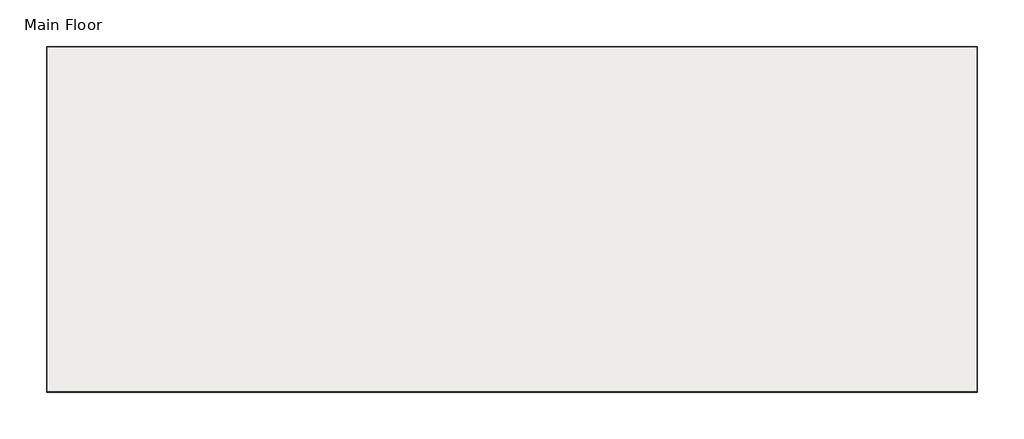
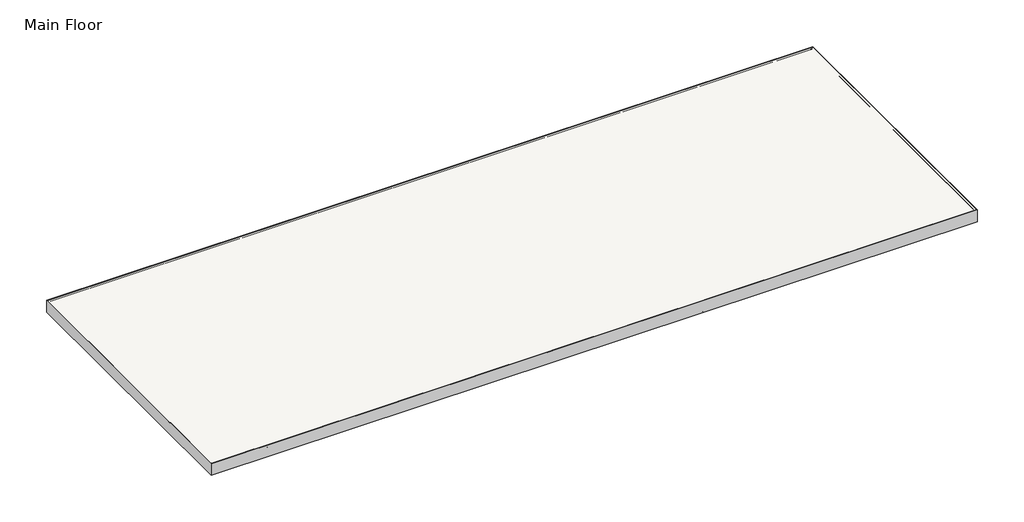
# One storey: 17 beams, 1 slab.
"""IFC4 building model written with IfcOpenShell, lengths in millimetres."""

import ifcopenshell
import ifcopenshell.guid

model = None  # the IFC model being written
_history = None  # IfcOwnerHistory: only IFC2X3 demands one
_inside = {}  # id of a spatial element -> (the spatial element, [elements in it])
_under = {}  # id of a project, library or spatial element -> (it, [spatial elements below it])
_declared = {}  # id of a project -> (the project, [libraries it declares])
_typed = {}  # id of a type object -> (the type object, [elements of that type])
_made_of = {}  # id of a material, layer set ... -> (it, [elements and type objects made of it])


def new_model(schema):
    """Start an empty IFC model of exactly this schema.

    Asked for "IFC4X3", IfcOpenShell would pick the latest addendum, in which some entities
    have other attributes; the version numbers below select the first issue.
    IFC2X3 requires an IfcOwnerHistory on every rooted entity: one is made here for all.
    """
    global model, _history
    if schema == "IFC4X3":
        model = ifcopenshell.file(schema_version=(4, 3, 0, 0))
    else:
        model = ifcopenshell.file(schema=schema)
    _inside.clear()
    _under.clear()
    _declared.clear()
    _typed.clear()
    _made_of.clear()
    _history = None
    if model.schema == "IFC2X3":
        org = make("IfcOrganization", Name="unknown")
        user = make(
            "IfcPersonAndOrganization",
            ThePerson=make("IfcPerson", FamilyName="unknown"),
            TheOrganization=org,
        )
        app = make(
            "IfcApplication",
            ApplicationDeveloper=org,
            Version="unknown",
            ApplicationFullName="unknown",
            ApplicationIdentifier="unknown",
        )
        _history = make(
            "IfcOwnerHistory",
            OwningUser=user,
            OwningApplication=app,
            ChangeAction="ADDED",
            CreationDate=0,
        )
    return model


def make(cls, **values):
    """One entity of the class cls with the attributes given. An attribute that is None is left unset."""
    return model.create_entity(
        cls, **{name: value for name, value in values.items() if value is not None}
    )


def rooted(cls, **values):
    """An entity with a GlobalId (a new one), such as an element, a storey or a relation."""
    return make(cls, GlobalId=ifcopenshell.guid.new(), OwnerHistory=_history, **values)


def si_unit(unit_type, name, prefix=None):
    """IfcSIUnit, for example si_unit("LENGTHUNIT", "METRE", prefix="MILLI")."""
    return make("IfcSIUnit", UnitType=unit_type, Prefix=prefix, Name=name)


def assignment(units):
    """IfcUnitAssignment: the units of a project."""
    return None if units is None else make("IfcUnitAssignment", Units=units)


def point(xyz):
    """IfcCartesianPoint."""
    return None if xyz is None else make("IfcCartesianPoint", Coordinates=xyz)


def direction(xyz):
    """IfcDirection."""
    return None if xyz is None else make("IfcDirection", DirectionRatios=xyz)


def frame(location, z_axis=None, x_axis=None):
    """IfcAxis2Placement3D, a coordinate frame: its origin and axes. An axis left out is left unset."""
    return make(
        "IfcAxis2Placement3D",
        Location=point(location),
        Axis=direction(z_axis),
        RefDirection=direction(x_axis),
    )


def frame_2d(location, x_axis=None):
    """IfcAxis2Placement2D, a coordinate frame in the plane: its origin and x axis."""
    return make(
        "IfcAxis2Placement2D", Location=point(location), RefDirection=direction(x_axis)
    )


def origin():
    """The frame at (0, 0, 0) with its axes left unset."""
    return frame((0.0, 0.0, 0.0))


def place(relative_to, where):
    """IfcLocalPlacement: puts the frame where relative to a parent placement (None: the world)."""
    return make(
        "IfcLocalPlacement", PlacementRelTo=relative_to, RelativePlacement=where
    )


def context(
    kind, dimensions, precision=None, world=None, true_north=None, identifier=None
):
    """IfcGeometricRepresentationContext, for example the 3D "Model" context."""
    return make(
        "IfcGeometricRepresentationContext",
        ContextIdentifier=identifier,
        ContextType=kind,
        CoordinateSpaceDimension=dimensions,
        Precision=precision,
        WorldCoordinateSystem=world,
        TrueNorth=true_north,
    )


def project(units=None, contexts=None):
    """IfcProject with its units and contexts."""
    return rooted(
        "IfcProject",
        Name="project",
        RepresentationContexts=contexts,
        UnitsInContext=assignment(units),
    )


def spatial(cls, under=None, at=None, **own):
    """A site, building, storey or space (cls), placed at a placement, below another one or the project."""
    s = rooted(cls, ObjectPlacement=at, **own)
    if under is not None:
        _under.setdefault(under.id(), (under, []))[1].append(s)
    return s


def polyline(points):
    """IfcPolyline through the points."""
    return make("IfcPolyline", Points=[point(p) for p in points])


def circle_curve(where, radius):
    """IfcCircle in the frame where."""
    return make("IfcCircle", Position=where, Radius=radius)


def ellipse_curve(where, semi_axis1, semi_axis2):
    """IfcEllipse in the frame where."""
    return make(
        "IfcEllipse", Position=where, SemiAxis1=semi_axis1, SemiAxis2=semi_axis2
    )


def trimmed(basis, trim1, trim2, sense, master):
    """IfcTrimmedCurve: the piece of a basis curve between two trims."""
    return make(
        "IfcTrimmedCurve",
        BasisCurve=basis,
        Trim1=trim1,
        Trim2=trim2,
        SenseAgreement=sense,
        MasterRepresentation=master,
    )


def segment(curve, same_sense, transition):
    """IfcCompositeCurveSegment."""
    return make(
        "IfcCompositeCurveSegment",
        Transition=transition,
        SameSense=same_sense,
        ParentCurve=curve,
    )


def composite_curve(segments, self_intersect=None):
    """IfcCompositeCurve: segments joined end to end."""
    return make("IfcCompositeCurve", Segments=segments, SelfIntersect=self_intersect)


def outline(outer, holes=None, kind="AREA"):
    """IfcArbitraryClosedProfileDef: a profile drawn as a closed curve; with holes, ...WithVoids."""
    if holes is None:
        return make("IfcArbitraryClosedProfileDef", ProfileType=kind, OuterCurve=outer)
    return make(
        "IfcArbitraryProfileDefWithVoids",
        ProfileType=kind,
        OuterCurve=outer,
        InnerCurves=holes,
    )


def extrude(swept, where, along, depth):
    """IfcExtrudedAreaSolid: the profile swept, set in the frame where, extruded along a direction by depth."""
    return make(
        "IfcExtrudedAreaSolid",
        SweptArea=swept,
        Position=where,
        ExtrudedDirection=direction(along),
        Depth=depth,
    )


def shape(context_of_items, identifier, shape_type, items):
    """IfcShapeRepresentation: the items that make up one representation, for example the "Body"."""
    return make(
        "IfcShapeRepresentation",
        ContextOfItems=context_of_items,
        RepresentationIdentifier=identifier,
        RepresentationType=shape_type,
        Items=items,
    )


def source(mapping_origin, context_of_items, identifier, shape_type, items):
    """IfcRepresentationMap: a shape defined once, which mapped items show again and again."""
    return make(
        "IfcRepresentationMap",
        MappingOrigin=mapping_origin,
        MappedRepresentation=shape(context_of_items, identifier, shape_type, items),
    )


def transform(
    local_origin,
    x_axis=None,
    y_axis=None,
    z_axis=None,
    scale=None,
    scale2=None,
    scale3=None,
    uniform=True,
):
    """IfcCartesianTransformationOperator3D, or its non-uniform kind. x_axis, y_axis, z_axis: its Axis1, 2, 3."""
    if uniform:
        return make(
            "IfcCartesianTransformationOperator3D",
            Axis1=direction(x_axis),
            Axis2=direction(y_axis),
            LocalOrigin=point(local_origin),
            Scale=scale,
            Axis3=direction(z_axis),
        )
    return make(
        "IfcCartesianTransformationOperator3DnonUniform",
        Axis1=direction(x_axis),
        Axis2=direction(y_axis),
        LocalOrigin=point(local_origin),
        Scale=scale,
        Axis3=direction(z_axis),
        Scale2=scale2,
        Scale3=scale3,
    )


def mapped(mapping_source, mapping_target):
    """IfcMappedItem: shows the shape of a source again, moved by a transform."""
    return make(
        "IfcMappedItem", MappingSource=mapping_source, MappingTarget=mapping_target
    )


def made_of(thing, what):
    """Note that an element or type object is made of a material, layer set ...; save() writes the relation."""
    if what is not None:
        _made_of.setdefault(what.id(), (what, []))[1].append(thing)
    return thing


def element(
    cls,
    number,
    at=None,
    inside=None,
    cuts=None,
    type_object=None,
    material=None,
    context=None,
    identifier="Body",
    shape_type=None,
    held_by="IfcProductDefinitionShape",
    body=None,
    shapes=None,
    **own,
):
    """One element of the class cls, such as IfcWall. Its Tag is "e" and its number.

    at: its placement. inside: the storey or other place that contains it. cuts: it is an
    opening in that element (IfcRelVoidsElement). A single representation is given by context,
    identifier, shape_type and body (its items); several are given by shapes. held_by: the class
    of the entity that holds the representations. save() writes the other relations.
    """
    e = rooted(cls, Tag="e%d" % number, ObjectPlacement=at, **own)
    if body is not None:
        shapes = [shape(context, identifier, shape_type, body)]
    if shapes is not None:
        e.Representation = make(held_by, Representations=shapes)
    if inside is not None:
        _inside.setdefault(inside.id(), (inside, []))[1].append(e)
    if cuts is not None:
        rooted(
            "IfcRelVoidsElement", RelatingBuildingElement=cuts, RelatedOpeningElement=e
        )
    if type_object is not None:
        _typed.setdefault(type_object.id(), (type_object, []))[1].append(e)
    return made_of(e, material)


def aggregate(whole, parts):
    """IfcRelAggregates: a whole, such as a stair, and the parts it consists of."""
    return rooted("IfcRelAggregates", RelatingObject=whole, RelatedObjects=parts)


def save(model, path):
    """Write the relations noted so far, then the file.

    IfcRelAggregates (storeys below a building ...), IfcRelContainedInSpatialStructure (elements
    in a storey), IfcRelDefinesByType, IfcRelAssociatesMaterial and IfcRelDeclares: one each for
    every whole, place, type object, material and project.
    """
    for whole, parts in _under.values():
        aggregate(whole, parts)
    for where, things in _inside.values():
        rooted(
            "IfcRelContainedInSpatialStructure",
            RelatedElements=things,
            RelatingStructure=where,
        )
    for kind, things in _typed.values():
        rooted("IfcRelDefinesByType", RelatedObjects=things, RelatingType=kind)
    for what, things in _made_of.values():
        rooted("IfcRelAssociatesMaterial", RelatedObjects=things, RelatingMaterial=what)
    for by, libraries in _declared.values():
        rooted("IfcRelDeclares", RelatingContext=by, RelatedDefinitions=libraries)
    model.write(path)


def plane_surface(at):
    """IfcPlane: the flat surface through the origin of the frame at, square to its z axis."""
    return make("IfcPlane", Position=at)


def cylinder_surface(at, radius):
    """IfcCylindricalSurface: all points at the distance radius from the z axis of the frame at."""
    return make("IfcCylindricalSurface", Position=at, Radius=radius)


def advanced_brep(points, edges, surfaces, faces):
    """IfcAdvancedBrep: a solid bounded by faces that lie on surfaces and meet in shared edges.

    An edge is (start, end): straight between two places in points (the first is 0);
    or (start, end, curve); or (start, end, curve, False) where it runs against its curve.
    A face is (place in surfaces, loops), or (place, loops, False) where it looks against
    its surface's normal. A loop lists edges by number (the first is 1), with a minus sign
    where the edge is run from its end to its start. The first loop is the outer one.
    """
    corners = [point(p) for p in points]
    vertices = [make("IfcVertexPoint", VertexGeometry=c) for c in corners]
    made = []
    for start, end, *more in edges:
        made.append(
            make(
                "IfcEdgeCurve",
                EdgeStart=vertices[start],
                EdgeEnd=vertices[end],
                EdgeGeometry=more[0] if more else make("IfcPolyline", Points=[corners[start], corners[end]]),
                SameSense=more[1] if len(more) > 1 else True,
            )
        )
    hull = []
    for where, loops, *sense in faces:
        bounds = []
        for j, loop in enumerate(loops):
            ring = [make("IfcOrientedEdge", EdgeElement=made[abs(k) - 1], Orientation=k > 0) for k in loop]
            bounds.append(
                make(
                    "IfcFaceOuterBound" if j == 0 else "IfcFaceBound",
                    Bound=make("IfcEdgeLoop", EdgeList=ring),
                    Orientation=True,
                )
            )
        hull.append(make("IfcAdvancedFace", Bounds=bounds, FaceSurface=surfaces[where], SameSense=sense[0] if sense else True))
    return make("IfcAdvancedBrep", Outer=make("IfcClosedShell", CfsFaces=hull))


def w_wide_flange_w12x26_d7689485(model_context):
    return source(origin(), model_context, "Body", "SweptSolid", [
        extrude(outline(composite_curve([segment(polyline([(82.4011719, -145.5539063), (82.4011719, -155.178125), (-82.4011719, -155.178125), (-82.4011719, -145.5539063), (-20.2902344, -145.5539063)]), True, "CONTINUOUS"), segment(trimmed(circle_curve(frame_2d((-20.2902344, -128.190625)), 17.3632812), [point((-20.2902344, -145.5539063))], [point((-2.9269531, -128.190625))], True, "CARTESIAN"), True, "CONTINUOUS"), segment(polyline([(-2.9269531, -128.190625), (-2.9269531, 128.190625)]), True, "CONTINUOUS"), segment(trimmed(circle_curve(frame_2d((-20.2902344, 128.190625)), 17.3632812), [point((-2.9269531, 128.190625))], [point((-20.2902344, 145.5539062))], True, "CARTESIAN"), True, "CONTINUOUS"), segment(polyline([(-20.2902344, 145.5539062), (-82.4011719, 145.5539062), (-82.4011719, 155.178125), (82.4011719, 155.178125), (82.4011719, 145.5539062), (20.2902344, 145.5539062)]), True, "CONTINUOUS"), segment(trimmed(circle_curve(frame_2d((20.2902344, 128.190625)), 17.3632812), [point((20.2902344, 145.5539062))], [point((2.9269531, 128.190625))], True, "CARTESIAN"), True, "CONTINUOUS"), segment(polyline([(2.9269531, 128.190625), (2.9269531, -128.190625)]), True, "CONTINUOUS"), segment(trimmed(circle_curve(frame_2d((20.2902344, -128.190625)), 17.3632812), [point((2.9269531, -128.190625))], [point((20.2902344, -145.5539063))], True, "CARTESIAN"), True, "CONTINUOUS"), segment(polyline([(20.2902344, -145.5539063), (82.4011719, -145.5539063)]), True, "CONTINUOUS")], self_intersect=False)), frame((-4289.7552, 0.0, 0.0), z_axis=(1.0, 0.0, 0.0), x_axis=(0.0, 1.0, 0.0)), (0.0, 0.0, 1.0), 8579.5104),
    ])


def w_wide_flange_w12x26_3cccf0f2(model_context):
    return source(origin(), model_context, "Body", "SweptSolid", [
        extrude(outline(composite_curve([segment(polyline([(82.4011719, -145.5539063), (82.4011719, -155.178125), (-82.4011719, -155.178125), (-82.4011719, -145.5539063), (-20.2902344, -145.5539063)]), True, "CONTINUOUS"), segment(trimmed(circle_curve(frame_2d((-20.2902344, -128.190625)), 17.3632812), [point((-20.2902344, -145.5539063))], [point((-2.9269531, -128.190625))], True, "CARTESIAN"), True, "CONTINUOUS"), segment(polyline([(-2.9269531, -128.190625), (-2.9269531, 128.190625)]), True, "CONTINUOUS"), segment(trimmed(circle_curve(frame_2d((-20.2902344, 128.190625)), 17.3632812), [point((-2.9269531, 128.190625))], [point((-20.2902344, 145.5539062))], True, "CARTESIAN"), True, "CONTINUOUS"), segment(polyline([(-20.2902344, 145.5539062), (-82.4011719, 145.5539062), (-82.4011719, 155.178125), (82.4011719, 155.178125), (82.4011719, 145.5539062), (20.2902344, 145.5539062)]), True, "CONTINUOUS"), segment(trimmed(circle_curve(frame_2d((20.2902344, 128.190625)), 17.3632812), [point((20.2902344, 145.5539062))], [point((2.9269531, 128.190625))], True, "CARTESIAN"), True, "CONTINUOUS"), segment(polyline([(2.9269531, 128.190625), (2.9269531, -128.190625)]), True, "CONTINUOUS"), segment(trimmed(circle_curve(frame_2d((20.2902344, -128.190625)), 17.3632812), [point((2.9269531, -128.190625))], [point((20.2902344, -145.5539063))], True, "CARTESIAN"), True, "CONTINUOUS"), segment(polyline([(20.2902344, -145.5539063), (82.4011719, -145.5539063)]), True, "CONTINUOUS")], self_intersect=False)), frame((-4356.1, 0.0, 0.0), z_axis=(1.0, 0.0, 0.0), x_axis=(0.0, 1.0, 0.0)), (0.0, 0.0, 1.0), 8712.2),
    ])


model = new_model("IFC4")

# Units and contexts
model_context = context("Model", 3, world=origin())
ifc_project = project(units=[si_unit("LENGTHUNIT", "METRE", prefix="MILLI")], contexts=[model_context])

# Site, building, storey
site = spatial("IfcSite", under=ifc_project)
building = spatial("IfcBuilding", under=site)
storey = spatial("IfcBuildingStorey", under=building, Name="Main Floor", Elevation=711.2)

# Beams
placement = place(None, origin())
element("IfcBeam", 1, ObjectType="C-Channel : C15X33.9", at=placement, inside=storey, context=model_context, shape_type="AdvancedBrep", body=[
    advanced_brep(
    [(30194.5802, 15789.6052, 711.2), (30280.9402, 15875.9652, 711.2), (6666.5348, 15875.9652, 711.2), (6752.8948, 15789.6052, 711.2), (30211.0902, 15806.1152, 694.69), (6736.3848, 15806.1152, 694.69), (30270.7802, 15865.8052, 685.2360328), (6676.6948, 15865.8052, 685.2360328), (30270.7802, 15865.8052, 356.1639672), (6676.6948, 15865.8052, 356.1639672), (30211.0902, 15806.1152, 346.71), (6736.3848, 15806.1152, 346.71), (30194.5802, 15789.6052, 330.2), (6752.8948, 15789.6052, 330.2), (30280.9402, 15875.9652, 330.2), (6666.5348, 15875.9652, 330.2)],
    [
        (0, 1),
        (1, 2),
        (2, 3),
        (3, 0),
        (4, 0, ellipse_curve(frame((30211.0902, 15806.1152, 711.2), z_axis=(-0.7071067811865387, 0.7071067811865563, 0.0), x_axis=(-0.7071067811865562, -0.7071067811865387, 0.0)), 23.3486659, 16.51)),
        (3, 5, ellipse_curve(frame((6736.3848, 15806.1152, 711.2), z_axis=(0.7071067811865476, 0.7071067811865476, 0.0), x_axis=(-0.7071067811865474, 0.7071067811865476, 0.0)), 23.3486659, 16.51)),
        (5, 4),
        (6, 4),
        (5, 7),
        (7, 6),
        (8, 6),
        (7, 9),
        (9, 8),
        (10, 8),
        (9, 11),
        (11, 10),
        (12, 10, ellipse_curve(frame((30211.0902, 15806.1152, 330.2), z_axis=(-0.7071067811865387, 0.7071067811865563, 0.0), x_axis=(-0.7071067811865562, -0.7071067811865387, 0.0)), 23.3486659, 16.51)),
        (11, 13, ellipse_curve(frame((6736.3848, 15806.1152, 330.2), z_axis=(0.7071067811865476, 0.7071067811865476, 0.0), x_axis=(-0.7071067811865474, 0.7071067811865476, 0.0)), 23.3486659, 16.51)),
        (13, 12),
        (14, 12),
        (13, 15),
        (15, 14),
        (1, 14),
        (15, 2),
    ],
    [
        plane_surface(frame((30260.925, 15832.7852, 711.2), z_axis=(0.0, 0.0, 1.0), x_axis=(0.0, -1.0, 0.0))),
        cylinder_surface(frame((30260.925, 15806.1152, 711.2), z_axis=(-1.0, 0.0, 0.0), x_axis=(0.0, 0.0, -1.0)), 16.51),
        plane_surface(frame((30260.925, 15835.9602, 689.9630164), z_axis=(0.0, -0.15643446504022748, -0.9876883405951383), x_axis=(0.0, 0.9876883405951383, -0.15643446504022748))),
        plane_surface(frame((30260.925, 15865.8052, 520.7), z_axis=(0.0, -1.0, 0.0), x_axis=(0.0, 0.0, -1.0))),
        plane_surface(frame((30260.925, 15835.9602, 351.4369836), z_axis=(0.0, -0.15643446504023373, 0.9876883405951373), x_axis=(0.0, -0.9876883405951373, -0.15643446504023373))),
        cylinder_surface(frame((30260.925, 15806.1152, 330.2), z_axis=(-1.0, 0.0, 0.0), x_axis=(0.0, -1.0, 0.0)), 16.51),
        plane_surface(frame((30260.925, 15832.7852, 330.2), z_axis=(0.0, 0.0, -1.0), x_axis=(0.0, 1.0, 0.0))),
        plane_surface(frame((30260.925, 15875.9652, 520.7), z_axis=(0.0, 1.0, 0.0), x_axis=(0.0, 0.0, 1.0))),
        plane_surface(frame((30194.5802, 15789.6052, 711.2), z_axis=(0.7071067811865387, -0.7071067811865563, 0.0), x_axis=(0.7071067811865563, 0.7071067811865387, 0.0))),
        plane_surface(frame((6752.8948, 15789.6052, 711.2), z_axis=(-0.7071067811865476, -0.7071067811865476, 0.0), x_axis=(0.7071067811865476, -0.7071067811865476, 0.0))),
    ],
    [
        (0, [[1, 2, 3, 4]]),
        (1, [[5, -4, 6, 7]]),
        (2, [[8, -7, 9, 10]]),
        (3, [[11, -10, 12, 13]]),
        (4, [[14, -13, 15, 16]]),
        (5, [[17, -16, 18, 19]]),
        (6, [[20, -19, 21, 22]]),
        (7, [[23, -22, 24, -2]]),
        (8, [[-1, -5, -8, -11, -14, -17, -20, -23]]),
        (9, [[-24, -21, -18, -15, -12, -9, -6, -3]]),
    ],
),
])
element("IfcBeam", 2, ObjectType="C-Channel : C15X33.9", at=placement, inside=storey, context=model_context, shape_type="AdvancedBrep", body=[
    advanced_brep(
    [(6752.8948, 7184.6948, 711.2), (6666.5348, 7098.3348, 711.2), (30280.9402, 7098.3348, 711.2), (30194.5802, 7184.6948, 711.2), (6736.3848, 7168.1848, 694.69), (30211.0902, 7168.1848, 694.69), (6676.6948, 7108.4948, 685.2360328), (30270.7802, 7108.4948, 685.2360328), (6676.6948, 7108.4948, 356.1639672), (30270.7802, 7108.4948, 356.1639672), (6736.3848, 7168.1848, 346.71), (30211.0902, 7168.1848, 346.71), (6752.8948, 7184.6948, 330.2), (30194.5802, 7184.6948, 330.2), (6666.5348, 7098.3348, 330.2), (30280.9402, 7098.3348, 330.2)],
    [
        (0, 1),
        (1, 2),
        (2, 3),
        (3, 0),
        (4, 0, ellipse_curve(frame((6736.3848, 7168.1848, 711.2), z_axis=(0.7071067811865387, -0.7071067811865563, 0.0), x_axis=(0.7071067811865562, 0.7071067811865387, 0.0)), 23.3486659, 16.51)),
        (3, 5, ellipse_curve(frame((30211.0902, 7168.1848, 711.2), z_axis=(-0.7071067811865387, -0.7071067811865563, 0.0), x_axis=(0.7071067811865562, -0.7071067811865387, 0.0)), 23.3486659, 16.51)),
        (5, 4),
        (6, 4),
        (5, 7),
        (7, 6),
        (8, 6),
        (7, 9),
        (9, 8),
        (10, 8),
        (9, 11),
        (11, 10),
        (12, 10, ellipse_curve(frame((6736.3848, 7168.1848, 330.2), z_axis=(0.7071067811865387, -0.7071067811865563, 0.0), x_axis=(0.7071067811865562, 0.7071067811865387, 0.0)), 23.3486659, 16.51)),
        (11, 13, ellipse_curve(frame((30211.0902, 7168.1848, 330.2), z_axis=(-0.7071067811865387, -0.7071067811865563, 0.0), x_axis=(0.7071067811865562, -0.7071067811865387, 0.0)), 23.3486659, 16.51)),
        (13, 12),
        (14, 12),
        (13, 15),
        (15, 14),
        (1, 14),
        (15, 2),
    ],
    [
        plane_surface(frame((6686.55, 7141.5148, 711.2), z_axis=(0.0, 0.0, 1.0), x_axis=(0.0, 1.0, 0.0))),
        cylinder_surface(frame((6686.55, 7168.1848, 711.2), z_axis=(1.0, 0.0, 0.0), x_axis=(0.0, 0.0, -1.0)), 16.51),
        plane_surface(frame((6686.55, 7138.3398, 689.9630164), z_axis=(0.0, 0.15643446504022748, -0.9876883405951383), x_axis=(0.0, -0.9876883405951383, -0.15643446504022748))),
        plane_surface(frame((6686.55, 7108.4948, 520.7), z_axis=(0.0, 1.0, 0.0), x_axis=(0.0, 0.0, -1.0))),
        plane_surface(frame((6686.55, 7138.3398, 351.4369836), z_axis=(0.0, 0.15643446504023373, 0.9876883405951373), x_axis=(0.0, 0.9876883405951373, -0.15643446504023373))),
        cylinder_surface(frame((6686.55, 7168.1848, 330.2), z_axis=(1.0, 0.0, 0.0), x_axis=(0.0, 1.0, 0.0)), 16.51),
        plane_surface(frame((6686.55, 7141.5148, 330.2), z_axis=(0.0, 0.0, -1.0), x_axis=(0.0, -1.0, 0.0))),
        plane_surface(frame((6686.55, 7098.3348, 520.7), z_axis=(0.0, -1.0, 0.0), x_axis=(0.0, 0.0, 1.0))),
        plane_surface(frame((30194.5802, 7184.6948, 711.2), z_axis=(0.7071067811865387, 0.7071067811865563, 0.0), x_axis=(0.7071067811865563, -0.7071067811865387, 0.0))),
        plane_surface(frame((6752.8948, 7184.6948, 711.2), z_axis=(-0.7071067811865387, 0.7071067811865563, 0.0), x_axis=(0.7071067811865563, 0.7071067811865387, 0.0))),
    ],
    [
        (0, [[1, 2, 3, 4]]),
        (1, [[5, -4, 6, 7]]),
        (2, [[8, -7, 9, 10]]),
        (3, [[11, -10, 12, 13]]),
        (4, [[14, -13, 15, 16]]),
        (5, [[17, -16, 18, 19]]),
        (6, [[20, -19, 21, 22]]),
        (7, [[23, -22, 24, -2]]),
        (8, [[-24, -21, -18, -15, -12, -9, -6, -3]]),
        (9, [[-1, -5, -8, -11, -14, -17, -20, -23]]),
    ],
),
])
element("IfcBeam", 3, ObjectType="C-Channel : C15X33.9", at=placement, inside=storey, context=model_context, shape_type="AdvancedBrep", body=[
    advanced_brep(
    [(6752.8948, 15789.6052, 711.2), (6666.5348, 15875.9652, 711.2), (6666.5348, 7098.3348, 711.2), (6752.8948, 7184.6948, 711.2), (6736.3848, 15806.1152, 694.69), (6736.3848, 7168.1848, 694.69), (6676.6948, 15865.8052, 685.2360328), (6676.6948, 7108.4948, 685.2360328), (6676.6948, 15865.8052, 356.1639672), (6676.6948, 7108.4948, 356.1639672), (6736.3848, 15806.1152, 346.71), (6736.3848, 7168.1848, 346.71), (6752.8948, 15789.6052, 330.2), (6752.8948, 7184.6948, 330.2), (6666.5348, 15875.9652, 330.2), (6666.5348, 7098.3348, 330.2)],
    [
        (0, 1),
        (1, 2),
        (2, 3),
        (3, 0),
        (4, 0, ellipse_curve(frame((6736.3848, 15806.1152, 711.2), z_axis=(-0.7071067811865476, -0.7071067811865476, 0.0), x_axis=(-0.7071067811865476, 0.7071067811865474, 0.0)), 23.3486659, 16.51)),
        (3, 5, ellipse_curve(frame((6736.3848, 7168.1848, 711.2), z_axis=(-0.7071067811865476, 0.7071067811865476, 0.0), x_axis=(0.7071067811865476, 0.7071067811865474, 0.0)), 23.3486659, 16.51)),
        (5, 4),
        (6, 4),
        (5, 7),
        (7, 6),
        (8, 6),
        (7, 9),
        (9, 8),
        (10, 8),
        (9, 11),
        (11, 10),
        (12, 10, ellipse_curve(frame((6736.3848, 15806.1152, 330.2), z_axis=(-0.7071067811865476, -0.7071067811865476, 0.0), x_axis=(-0.7071067811865476, 0.7071067811865474, 0.0)), 23.3486659, 16.51)),
        (11, 13, ellipse_curve(frame((6736.3848, 7168.1848, 330.2), z_axis=(-0.7071067811865476, 0.7071067811865476, 0.0), x_axis=(0.7071067811865476, 0.7071067811865474, 0.0)), 23.3486659, 16.51)),
        (13, 12),
        (14, 12),
        (13, 15),
        (15, 14),
        (1, 14),
        (15, 2),
    ],
    [
        plane_surface(frame((6666.5348, 15855.95, 711.2), z_axis=(0.0, 0.0, 1.0), x_axis=(0.0, -1.0, 0.0))),
        cylinder_surface(frame((6736.3848, 15855.95, 711.2), z_axis=(0.0, 1.0, 0.0), x_axis=(1.0, 0.0, 0.0)), 16.51),
        plane_surface(frame((6736.3848, 15855.95, 694.69), z_axis=(0.15643446504022748, 0.0, -0.9876883405951383), x_axis=(0.0, -1.0, 0.0))),
        plane_surface(frame((6676.6948, 15855.95, 685.2360328), z_axis=(1.0, 0.0, 0.0), x_axis=(0.0, -1.0, 0.0))),
        plane_surface(frame((6676.6948, 15855.95, 356.1639672), z_axis=(0.15643446504023378, 0.0, 0.9876883405951373), x_axis=(0.0, -1.0, 0.0))),
        cylinder_surface(frame((6736.3848, 15855.95, 330.2), z_axis=(0.0, 1.0, 0.0), x_axis=(1.0, 0.0, 0.0)), 16.51),
        plane_surface(frame((6752.8948, 15855.95, 330.2), z_axis=(0.0, 0.0, -1.0), x_axis=(0.0, -1.0, 0.0))),
        plane_surface(frame((6666.5348, 15855.95, 330.2), z_axis=(-1.0, 0.0, 0.0), x_axis=(0.0, -1.0, 0.0))),
        plane_surface(frame((6752.8948, 7184.6948, 711.2), z_axis=(0.7071067811865476, -0.7071067811865476, 0.0), x_axis=(0.7071067811865476, 0.7071067811865476, 0.0))),
        plane_surface(frame((6752.8948, 15789.6052, 711.2), z_axis=(0.7071067811865476, 0.7071067811865476, 0.0), x_axis=(0.7071067811865476, -0.7071067811865476, 0.0))),
    ],
    [
        (0, [[1, 2, 3, 4]]),
        (1, [[5, -4, 6, 7]]),
        (2, [[8, -7, 9, 10]]),
        (3, [[11, -10, 12, 13]]),
        (4, [[14, -13, 15, 16]]),
        (5, [[17, -16, 18, 19]]),
        (6, [[20, -19, 21, 22]]),
        (7, [[23, -22, 24, -2]]),
        (8, [[-24, -21, -18, -15, -12, -9, -6, -3]]),
        (9, [[-1, -5, -8, -11, -14, -17, -20, -23]]),
    ],
),
])
element("IfcBeam", 4, ObjectType="C-Channel : C15X33.9", at=placement, inside=storey, context=model_context, shape_type="AdvancedBrep", body=[
    advanced_brep(
    [(30194.5802, 7184.6948, 711.2), (30280.9402, 7098.3348, 711.2), (30280.9402, 15875.9652, 711.2), (30194.5802, 15789.6052, 711.2), (30211.0902, 7168.1848, 694.69), (30211.0902, 15806.1152, 694.69), (30270.7802, 7108.4948, 685.2360328), (30270.7802, 15865.8052, 685.2360328), (30270.7802, 7108.4948, 356.1639672), (30270.7802, 15865.8052, 356.1639672), (30211.0902, 7168.1848, 346.71), (30211.0902, 15806.1152, 346.71), (30194.5802, 7184.6948, 330.2), (30194.5802, 15789.6052, 330.2), (30280.9402, 7098.3348, 330.2), (30280.9402, 15875.9652, 330.2)],
    [
        (0, 1),
        (1, 2),
        (2, 3),
        (3, 0),
        (4, 0, ellipse_curve(frame((30211.0902, 7168.1848, 711.2), z_axis=(0.7071067811865387, 0.7071067811865563, 0.0), x_axis=(0.7071067811865563, -0.7071067811865388, 0.0)), 23.3486659, 16.51)),
        (3, 5, ellipse_curve(frame((30211.0902, 15806.1152, 711.2), z_axis=(0.7071067811865387, -0.7071067811865563, 0.0), x_axis=(-0.7071067811865563, -0.7071067811865388, 0.0)), 23.3486659, 16.51)),
        (5, 4),
        (6, 4),
        (5, 7),
        (7, 6),
        (8, 6),
        (7, 9),
        (9, 8),
        (10, 8),
        (9, 11),
        (11, 10),
        (12, 10, ellipse_curve(frame((30211.0902, 7168.1848, 330.2), z_axis=(0.7071067811865387, 0.7071067811865563, 0.0), x_axis=(0.7071067811865563, -0.7071067811865388, 0.0)), 23.3486659, 16.51)),
        (11, 13, ellipse_curve(frame((30211.0902, 15806.1152, 330.2), z_axis=(0.7071067811865387, -0.7071067811865563, 0.0), x_axis=(-0.7071067811865563, -0.7071067811865388, 0.0)), 23.3486659, 16.51)),
        (13, 12),
        (14, 12),
        (13, 15),
        (15, 14),
        (1, 14),
        (15, 2),
    ],
    [
        plane_surface(frame((30280.9402, 7118.35, 711.2), z_axis=(0.0, 0.0, 1.0), x_axis=(0.0, 1.0, 0.0))),
        cylinder_surface(frame((30211.0902, 7118.35, 711.2), z_axis=(0.0, -1.0, 0.0), x_axis=(-1.0, 0.0, 0.0)), 16.51),
        plane_surface(frame((30211.0902, 7118.35, 694.69), z_axis=(-0.15643446504022748, 0.0, -0.9876883405951383), x_axis=(0.0, 1.0, 0.0))),
        plane_surface(frame((30270.7802, 7118.35, 685.2360328), z_axis=(-1.0, 0.0, 0.0), x_axis=(0.0, 1.0, 0.0))),
        plane_surface(frame((30270.7802, 7118.35, 356.1639672), z_axis=(-0.15643446504023378, 0.0, 0.9876883405951373), x_axis=(0.0, 1.0, 0.0))),
        cylinder_surface(frame((30211.0902, 7118.35, 330.2), z_axis=(0.0, -1.0, 0.0), x_axis=(-1.0, 0.0, 0.0)), 16.51),
        plane_surface(frame((30194.5802, 7118.35, 330.2), z_axis=(0.0, 0.0, -1.0), x_axis=(0.0, 1.0, 0.0))),
        plane_surface(frame((30280.9402, 7118.35, 330.2), z_axis=(1.0, 0.0, 0.0), x_axis=(0.0, 1.0, 0.0))),
        plane_surface(frame((30194.5802, 15789.6052, 711.2), z_axis=(-0.7071067811865387, 0.7071067811865563, 0.0), x_axis=(0.7071067811865563, 0.7071067811865387, 0.0))),
        plane_surface(frame((30194.5802, 7184.6948, 711.2), z_axis=(-0.7071067811865387, -0.7071067811865563, 0.0), x_axis=(0.7071067811865563, -0.7071067811865387, 0.0))),
    ],
    [
        (0, [[1, 2, 3, 4]]),
        (1, [[5, -4, 6, 7]]),
        (2, [[8, -7, 9, 10]]),
        (3, [[11, -10, 12, 13]]),
        (4, [[14, -13, 15, 16]]),
        (5, [[17, -16, 18, 19]]),
        (6, [[20, -19, 21, 22]]),
        (7, [[23, -22, 24, -2]]),
        (8, [[-24, -21, -18, -15, -12, -9, -6, -3]]),
        (9, [[-1, -5, -8, -11, -14, -17, -20, -23]]),
    ],
),
])
w_wide_flange_w12x26_shape = w_wide_flange_w12x26_d7689485(model_context)
element("IfcBeam", 5, ObjectType="W-Wide Flange : W12X26", at=placement, inside=storey, context=model_context, shape_type="MappedRepresentation", body=[
    mapped(w_wide_flange_w12x26_shape, transform((10096.5, 11487.15, 467.121875), x_axis=(0.0, -1.0, 0.0), y_axis=(1.0, 0.0, 0.0), z_axis=(0.0, 0.0, 1.0))),
])
element("IfcBeam", 6, ObjectType="W-Wide Flange : W12X26", at=placement, inside=storey, context=model_context, shape_type="MappedRepresentation", body=[
    mapped(w_wide_flange_w12x26_shape, transform((11772.9, 11487.15, 467.121875), x_axis=(0.0, -1.0, 0.0), y_axis=(1.0, 0.0, 0.0), z_axis=(0.0, 0.0, 1.0))),
])
element("IfcBeam", 7, ObjectType="W-Wide Flange : W12X26", at=placement, inside=storey, context=model_context, shape_type="MappedRepresentation", body=[
    mapped(w_wide_flange_w12x26_shape, transform((13449.3, 11487.15, 467.121875), x_axis=(0.0, -1.0, 0.0), y_axis=(1.0, 0.0, 0.0), z_axis=(0.0, 0.0, 1.0))),
])
element("IfcBeam", 8, ObjectType="W-Wide Flange : W12X26", at=placement, inside=storey, context=model_context, shape_type="MappedRepresentation", body=[
    mapped(w_wide_flange_w12x26_shape, transform((16802.1, 11487.15, 467.121875), x_axis=(0.0, -1.0, 0.0), y_axis=(1.0, 0.0, 0.0), z_axis=(0.0, 0.0, 1.0))),
])
element("IfcBeam", 9, ObjectType="W-Wide Flange : W12X26", at=placement, inside=storey, context=model_context, shape_type="MappedRepresentation", body=[
    mapped(w_wide_flange_w12x26_shape, transform((18478.5, 11487.15, 467.121875), x_axis=(0.0, -1.0, 0.0), y_axis=(1.0, 0.0, 0.0), z_axis=(0.0, 0.0, 1.0))),
])
element("IfcBeam", 10, ObjectType="W-Wide Flange : W12X26", at=placement, inside=storey, context=model_context, shape_type="MappedRepresentation", body=[
    mapped(w_wide_flange_w12x26_shape, transform((20154.9, 11487.15, 467.121875), x_axis=(0.0, -1.0, 0.0), y_axis=(1.0, 0.0, 0.0), z_axis=(0.0, 0.0, 1.0))),
])
element("IfcBeam", 11, ObjectType="W-Wide Flange : W12X26", at=placement, inside=storey, context=model_context, shape_type="MappedRepresentation", body=[
    mapped(w_wide_flange_w12x26_shape, transform((23511.66875, 11487.15, 467.121875), x_axis=(0.0, -1.0, 0.0), y_axis=(1.0, 0.0, 0.0), z_axis=(0.0, 0.0, 1.0))),
])
element("IfcBeam", 12, ObjectType="W-Wide Flange : W12X26", at=placement, inside=storey, context=model_context, shape_type="MappedRepresentation", body=[
    mapped(w_wide_flange_w12x26_shape, transform((25192.0375, 11487.15, 467.121875), x_axis=(0.0, -1.0, 0.0), y_axis=(1.0, 0.0, 0.0), z_axis=(0.0, 0.0, 1.0))),
])
element("IfcBeam", 13, ObjectType="W-Wide Flange : W12X26", at=placement, inside=storey, context=model_context, shape_type="MappedRepresentation", body=[
    mapped(w_wide_flange_w12x26_shape, transform((26872.40625, 11487.15, 467.121875), x_axis=(0.0, -1.0, 0.0), y_axis=(1.0, 0.0, 0.0), z_axis=(0.0, 0.0, 1.0))),
])
w_wide_flange_w12x26_2_shape = w_wide_flange_w12x26_3cccf0f2(model_context)
element("IfcBeam", 14, ObjectType="W-Wide Flange : W12X26", at=placement, inside=storey, context=model_context, shape_type="MappedRepresentation", body=[
    mapped(w_wide_flange_w12x26_2_shape, transform((8420.1, 11487.15, 472.678125), x_axis=(0.0, -1.0, 0.0), y_axis=(1.0, 0.0, 0.0), z_axis=(0.0, 0.0, 1.0))),
])
element("IfcBeam", 15, ObjectType="W-Wide Flange : W12X26", at=placement, inside=storey, context=model_context, shape_type="MappedRepresentation", body=[
    mapped(w_wide_flange_w12x26_2_shape, transform((15125.7, 11487.15, 472.678125), x_axis=(0.0, -1.0, 0.0), y_axis=(1.0, 0.0, 0.0), z_axis=(0.0, 0.0, 1.0))),
])
element("IfcBeam", 16, ObjectType="W-Wide Flange : W12X26", at=placement, inside=storey, context=model_context, shape_type="MappedRepresentation", body=[
    mapped(w_wide_flange_w12x26_2_shape, transform((21831.3, 11487.15, 472.678125), x_axis=(0.0, -1.0, 0.0), y_axis=(1.0, 0.0, 0.0), z_axis=(0.0, 0.0, 1.0))),
])
element("IfcBeam", 17, ObjectType="W-Wide Flange : W12X26", at=placement, inside=storey, context=model_context, shape_type="MappedRepresentation", body=[
    mapped(w_wide_flange_w12x26_2_shape, transform((28552.775, 11487.15, 472.678125), x_axis=(0.0, -1.0, 0.0), y_axis=(1.0, 0.0, 0.0), z_axis=(0.0, 0.0, 1.0))),
])

# Slab
element("IfcSlab", 18, ObjectType="Generic - 12\"", at=placement, inside=storey, context=model_context, shape_type="SweptSolid", body=[
    extrude(outline(polyline([(30260.925, 15855.95), (30260.925, 7118.35), (6686.55, 7118.35), (6686.55, 15855.95), (30260.925, 15855.95)])), frame((0.0, 0.0, 406.4), z_axis=(0.0, 0.0, 1.0), x_axis=(1.0, 0.0, 0.0)), (0.0, 0.0, 1.0), 304.8),
])

save(model, "model.ifc")
